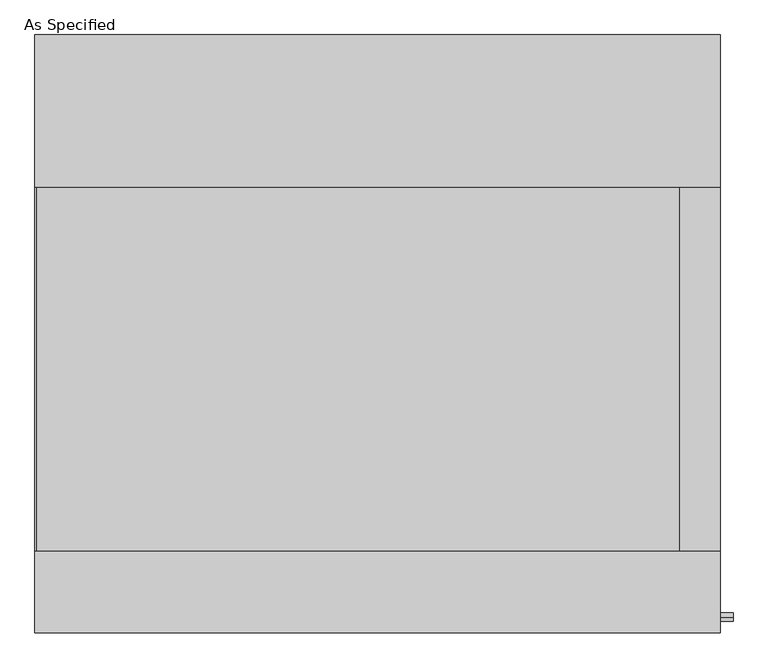
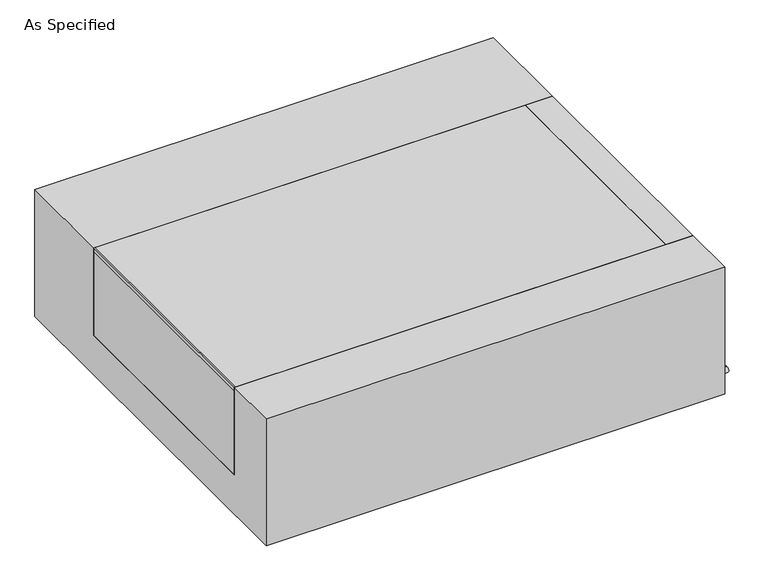
"""IFC4 building model written with IfcOpenShell, lengths in millimetres: proxy geometry, As Specified."""

from ifc_helpers import new_model, si_unit, point, frame, frame_2d, origin, place, context, project, spatial, polyline, circle_curve, trimmed, segment, composite_curve, outline, extrude, source, transform, mapped, element, save


def as_specified_200db5de(model_context):
    return source(origin(), model_context, "Body", "SweptSolid", [
        extrude(outline(composite_curve([segment(trimmed(circle_curve(frame_2d((-712.7875, -466.725)), 10.5), [point((-712.7875, -456.225))], [point((-712.7875, -477.225))], False, "CARTESIAN"), True, "CONTINUOUS"), segment(trimmed(circle_curve(frame_2d((-712.7875, -466.725)), 10.5), [point((-712.7875, -477.225))], [point((-712.7875, -456.225))], False, "CARTESIAN"), True, "CONTINUOUS")], self_intersect=False)), frame((862.0125, 0.0, 0.0), z_axis=(1.0, 0.0, 0.0), x_axis=(0.0, 1.0, 0.0)), (0.0, 0.0, 1.0), 31.8403384),
        extrude(outline(polyline([(759.61875, -546.1), (759.61875, 368.3), (862.0125, 368.3), (862.0125, -546.1), (759.61875, -546.1)])), frame((0.0, 0.0, -373.0625), z_axis=(0.0, 0.0, 1.0), x_axis=(1.0, 0.0, 0.0)), (0.0, 0.0, 1.0), 347.6625),
        extrude(outline(polyline([(-858.04375, -546.1), (-862.0125, -546.1), (-862.0125, 368.3), (-858.04375, 368.3), (-858.04375, -546.1)])), frame((0.0, 0.0, -39.6875), z_axis=(0.0, 0.0, 1.0), x_axis=(1.0, 0.0, 0.0)), (0.0, 0.0, 1.0), 14.2875),
        extrude(outline(polyline([(759.61875, 368.3), (759.61875, -546.1), (-862.0125, -546.1), (-862.0125, 368.3), (759.61875, 368.3)])), frame((0.0, 0.0, -373.0625), z_axis=(0.0, 0.0, 1.0), x_axis=(1.0, 0.0, 0.0)), (0.0, 0.0, 1.0), 347.6625),
        extrude(outline(polyline([(752.475, -25.4), (752.475, -530.225), (-752.475, -530.225), (-752.475, -25.4), (-546.1, -25.4), (-546.1, -373.0625), (368.3, -373.0625), (368.3, -25.4), (752.475, -25.4)])), frame((-862.0125, 0.0, 0.0), z_axis=(1.0, 0.0, 0.0), x_axis=(0.0, 1.0, 0.0)), (0.0, 0.0, 1.0), 1724.025),
    ])


if __name__ == "__main__":
    model = new_model("IFC4")
    model_context = context("Model", 3, world=origin())
    ifc_project = project(units=[si_unit("LENGTHUNIT", "METRE", prefix="MILLI")], contexts=[model_context])
    site = spatial("IfcSite", under=ifc_project)
    building = spatial("IfcBuilding", under=site)
    placement = place(None, origin())
    as_specified_shape = as_specified_200db5de(model_context)
    element("IfcBuildingElementProxy", 1, Name="As Specified", ObjectType="As Specified", at=placement, inside=building, context=model_context, shape_type="MappedRepresentation", body=[
        mapped(as_specified_shape, transform((0.0, 0.0, 0.0), x_axis=(1.0, 0.0, 0.0), y_axis=(0.0, 1.0, 0.0), z_axis=(0.0, 0.0, 1.0))),
    ])
    save(model, "model.ifc")
